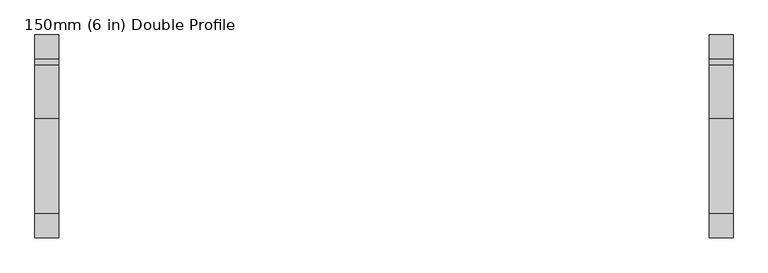
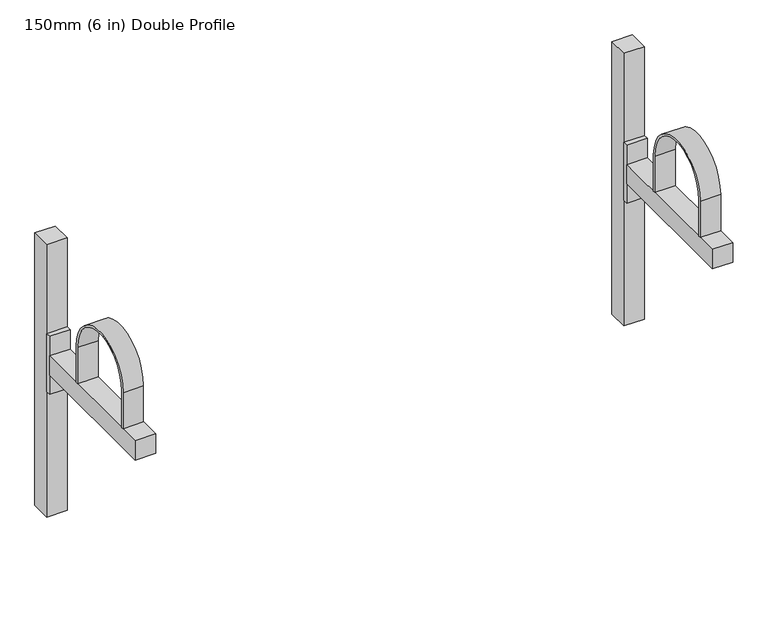
"""IFC4 building model written with IfcOpenShell, lengths in millimetres: proxy geometry, 150mm (6 in) Double Profile."""

import ifcopenshell
import ifcopenshell.guid

model = None  # the IFC model being written
_history = None  # IfcOwnerHistory: only IFC2X3 demands one
_inside = {}  # id of a spatial element -> (the spatial element, [elements in it])
_under = {}  # id of a project, library or spatial element -> (it, [spatial elements below it])
_declared = {}  # id of a project -> (the project, [libraries it declares])
_typed = {}  # id of a type object -> (the type object, [elements of that type])
_made_of = {}  # id of a material, layer set ... -> (it, [elements and type objects made of it])


def new_model(schema):
    """Start an empty IFC model of exactly this schema.

    Asked for "IFC4X3", IfcOpenShell would pick the latest addendum, in which some entities
    have other attributes; the version numbers below select the first issue.
    IFC2X3 requires an IfcOwnerHistory on every rooted entity: one is made here for all.
    """
    global model, _history
    if schema == "IFC4X3":
        model = ifcopenshell.file(schema_version=(4, 3, 0, 0))
    else:
        model = ifcopenshell.file(schema=schema)
    _inside.clear()
    _under.clear()
    _declared.clear()
    _typed.clear()
    _made_of.clear()
    _history = None
    if model.schema == "IFC2X3":
        org = make("IfcOrganization", Name="unknown")
        user = make(
            "IfcPersonAndOrganization",
            ThePerson=make("IfcPerson", FamilyName="unknown"),
            TheOrganization=org,
        )
        app = make(
            "IfcApplication",
            ApplicationDeveloper=org,
            Version="unknown",
            ApplicationFullName="unknown",
            ApplicationIdentifier="unknown",
        )
        _history = make(
            "IfcOwnerHistory",
            OwningUser=user,
            OwningApplication=app,
            ChangeAction="ADDED",
            CreationDate=0,
        )
    return model


def make(cls, **values):
    """One entity of the class cls with the attributes given. An attribute that is None is left unset."""
    return model.create_entity(
        cls, **{name: value for name, value in values.items() if value is not None}
    )


def rooted(cls, **values):
    """An entity with a GlobalId (a new one), such as an element, a storey or a relation."""
    return make(cls, GlobalId=ifcopenshell.guid.new(), OwnerHistory=_history, **values)


def si_unit(unit_type, name, prefix=None):
    """IfcSIUnit, for example si_unit("LENGTHUNIT", "METRE", prefix="MILLI")."""
    return make("IfcSIUnit", UnitType=unit_type, Prefix=prefix, Name=name)


def assignment(units):
    """IfcUnitAssignment: the units of a project."""
    return None if units is None else make("IfcUnitAssignment", Units=units)


def point(xyz):
    """IfcCartesianPoint."""
    return None if xyz is None else make("IfcCartesianPoint", Coordinates=xyz)


def direction(xyz):
    """IfcDirection."""
    return None if xyz is None else make("IfcDirection", DirectionRatios=xyz)


def frame(location, z_axis=None, x_axis=None):
    """IfcAxis2Placement3D, a coordinate frame: its origin and axes. An axis left out is left unset."""
    return make(
        "IfcAxis2Placement3D",
        Location=point(location),
        Axis=direction(z_axis),
        RefDirection=direction(x_axis),
    )


def frame_2d(location, x_axis=None):
    """IfcAxis2Placement2D, a coordinate frame in the plane: its origin and x axis."""
    return make(
        "IfcAxis2Placement2D", Location=point(location), RefDirection=direction(x_axis)
    )


def origin():
    """The frame at (0, 0, 0) with its axes left unset."""
    return frame((0.0, 0.0, 0.0))


def origin_with_axes():
    """The frame at (0, 0, 0) with the z axis (0, 0, 1) and the x axis (1, 0, 0) written out."""
    return frame((0.0, 0.0, 0.0), z_axis=(0.0, 0.0, 1.0), x_axis=(1.0, 0.0, 0.0))


def place(relative_to, where):
    """IfcLocalPlacement: puts the frame where relative to a parent placement (None: the world)."""
    return make(
        "IfcLocalPlacement", PlacementRelTo=relative_to, RelativePlacement=where
    )


def context(
    kind, dimensions, precision=None, world=None, true_north=None, identifier=None
):
    """IfcGeometricRepresentationContext, for example the 3D "Model" context."""
    return make(
        "IfcGeometricRepresentationContext",
        ContextIdentifier=identifier,
        ContextType=kind,
        CoordinateSpaceDimension=dimensions,
        Precision=precision,
        WorldCoordinateSystem=world,
        TrueNorth=true_north,
    )


def project(units=None, contexts=None):
    """IfcProject with its units and contexts."""
    return rooted(
        "IfcProject",
        Name="project",
        RepresentationContexts=contexts,
        UnitsInContext=assignment(units),
    )


def spatial(cls, under=None, at=None, **own):
    """A site, building, storey or space (cls), placed at a placement, below another one or the project."""
    s = rooted(cls, ObjectPlacement=at, **own)
    if under is not None:
        _under.setdefault(under.id(), (under, []))[1].append(s)
    return s


def polyline(points):
    """IfcPolyline through the points."""
    return make("IfcPolyline", Points=[point(p) for p in points])


def circle_curve(where, radius):
    """IfcCircle in the frame where."""
    return make("IfcCircle", Position=where, Radius=radius)


def trimmed(basis, trim1, trim2, sense, master):
    """IfcTrimmedCurve: the piece of a basis curve between two trims."""
    return make(
        "IfcTrimmedCurve",
        BasisCurve=basis,
        Trim1=trim1,
        Trim2=trim2,
        SenseAgreement=sense,
        MasterRepresentation=master,
    )


def segment(curve, same_sense, transition):
    """IfcCompositeCurveSegment."""
    return make(
        "IfcCompositeCurveSegment",
        Transition=transition,
        SameSense=same_sense,
        ParentCurve=curve,
    )


def composite_curve(segments, self_intersect=None):
    """IfcCompositeCurve: segments joined end to end."""
    return make("IfcCompositeCurve", Segments=segments, SelfIntersect=self_intersect)


def outline(outer, holes=None, kind="AREA"):
    """IfcArbitraryClosedProfileDef: a profile drawn as a closed curve; with holes, ...WithVoids."""
    if holes is None:
        return make("IfcArbitraryClosedProfileDef", ProfileType=kind, OuterCurve=outer)
    return make(
        "IfcArbitraryProfileDefWithVoids",
        ProfileType=kind,
        OuterCurve=outer,
        InnerCurves=holes,
    )


def extrude(swept, where, along, depth):
    """IfcExtrudedAreaSolid: the profile swept, set in the frame where, extruded along a direction by depth."""
    return make(
        "IfcExtrudedAreaSolid",
        SweptArea=swept,
        Position=where,
        ExtrudedDirection=direction(along),
        Depth=depth,
    )


def shape(context_of_items, identifier, shape_type, items):
    """IfcShapeRepresentation: the items that make up one representation, for example the "Body"."""
    return make(
        "IfcShapeRepresentation",
        ContextOfItems=context_of_items,
        RepresentationIdentifier=identifier,
        RepresentationType=shape_type,
        Items=items,
    )


def source(mapping_origin, context_of_items, identifier, shape_type, items):
    """IfcRepresentationMap: a shape defined once, which mapped items show again and again."""
    return make(
        "IfcRepresentationMap",
        MappingOrigin=mapping_origin,
        MappedRepresentation=shape(context_of_items, identifier, shape_type, items),
    )


def transform(
    local_origin,
    x_axis=None,
    y_axis=None,
    z_axis=None,
    scale=None,
    scale2=None,
    scale3=None,
    uniform=True,
):
    """IfcCartesianTransformationOperator3D, or its non-uniform kind. x_axis, y_axis, z_axis: its Axis1, 2, 3."""
    if uniform:
        return make(
            "IfcCartesianTransformationOperator3D",
            Axis1=direction(x_axis),
            Axis2=direction(y_axis),
            LocalOrigin=point(local_origin),
            Scale=scale,
            Axis3=direction(z_axis),
        )
    return make(
        "IfcCartesianTransformationOperator3DnonUniform",
        Axis1=direction(x_axis),
        Axis2=direction(y_axis),
        LocalOrigin=point(local_origin),
        Scale=scale,
        Axis3=direction(z_axis),
        Scale2=scale2,
        Scale3=scale3,
    )


def mapped(mapping_source, mapping_target):
    """IfcMappedItem: shows the shape of a source again, moved by a transform."""
    return make(
        "IfcMappedItem", MappingSource=mapping_source, MappingTarget=mapping_target
    )


def made_of(thing, what):
    """Note that an element or type object is made of a material, layer set ...; save() writes the relation."""
    if what is not None:
        _made_of.setdefault(what.id(), (what, []))[1].append(thing)
    return thing


def element(
    cls,
    number,
    at=None,
    inside=None,
    cuts=None,
    type_object=None,
    material=None,
    context=None,
    identifier="Body",
    shape_type=None,
    held_by="IfcProductDefinitionShape",
    body=None,
    shapes=None,
    **own,
):
    """One element of the class cls, such as IfcWall. Its Tag is "e" and its number.

    at: its placement. inside: the storey or other place that contains it. cuts: it is an
    opening in that element (IfcRelVoidsElement). A single representation is given by context,
    identifier, shape_type and body (its items); several are given by shapes. held_by: the class
    of the entity that holds the representations. save() writes the other relations.
    """
    e = rooted(cls, Tag="e%d" % number, ObjectPlacement=at, **own)
    if body is not None:
        shapes = [shape(context, identifier, shape_type, body)]
    if shapes is not None:
        e.Representation = make(held_by, Representations=shapes)
    if inside is not None:
        _inside.setdefault(inside.id(), (inside, []))[1].append(e)
    if cuts is not None:
        rooted(
            "IfcRelVoidsElement", RelatingBuildingElement=cuts, RelatedOpeningElement=e
        )
    if type_object is not None:
        _typed.setdefault(type_object.id(), (type_object, []))[1].append(e)
    return made_of(e, material)


def aggregate(whole, parts):
    """IfcRelAggregates: a whole, such as a stair, and the parts it consists of."""
    return rooted("IfcRelAggregates", RelatingObject=whole, RelatedObjects=parts)


def save(model, path):
    """Write the relations noted so far, then the file.

    IfcRelAggregates (storeys below a building ...), IfcRelContainedInSpatialStructure (elements
    in a storey), IfcRelDefinesByType, IfcRelAssociatesMaterial and IfcRelDeclares: one each for
    every whole, place, type object, material and project.
    """
    for whole, parts in _under.values():
        aggregate(whole, parts)
    for where, things in _inside.values():
        rooted(
            "IfcRelContainedInSpatialStructure",
            RelatedElements=things,
            RelatingStructure=where,
        )
    for kind, things in _typed.values():
        rooted("IfcRelDefinesByType", RelatedObjects=things, RelatingType=kind)
    for what, things in _made_of.values():
        rooted("IfcRelAssociatesMaterial", RelatedObjects=things, RelatingMaterial=what)
    for by, libraries in _declared.values():
        rooted("IfcRelDeclares", RelatingContext=by, RelatedDefinitions=libraries)
    model.write(path)


def proxy_150mm_6_in_double_profile_50c89727(model_context):
    return source(origin(), model_context, "Body", "SweptSolid", [
        extrude(outline(composite_curve([segment(polyline([(-295.0, 415.0), (-295.0, 340.0), (-299.0, 340.0), (-299.0, 415.0)]), True, "CONTINUOUS"), segment(trimmed(circle_curve(frame_2d((-220.0, 415.0)), 79.0), [point((-299.0, 415.0))], [point((-141.0, 415.0))], False, "CARTESIAN"), True, "CONTINUOUS"), segment(polyline([(-141.0, 415.0), (-141.0, 340.0), (-145.0, 340.0), (-145.0, 415.0)]), True, "CONTINUOUS"), segment(trimmed(circle_curve(frame_2d((-220.0, 415.0)), 75.0), [point((-145.0, 415.0))], [point((-295.0, 415.0))], True, "CARTESIAN"), True, "CONTINUOUS")], self_intersect=False)), frame((1111.0143342, 0.0, 0.0), z_axis=(1.0, 0.0, 0.0), x_axis=(0.0, 1.0, 0.0)), (0.0, 0.0, 1.0), 40.0),
        extrude(outline(polyline([(1151.0143342, -50.0), (1151.0143342, -340.0), (1111.0143342, -340.0), (1111.0143342, -50.0), (1151.0143342, -50.0)])), frame((0.0, 0.0, 300.0), z_axis=(0.0, 0.0, 1.0), x_axis=(1.0, 0.0, 0.0)), (0.0, 0.0, 1.0), 40.0),
        extrude(outline(polyline([(1151.0143342, -40.0), (1151.0143342, -50.0), (1111.0143342, -50.0), (1111.0143342, -40.0), (1151.0143342, -40.0)])), frame((0.0, 0.0, 260.0), z_axis=(0.0, 0.0, 1.0), x_axis=(1.0, 0.0, 0.0)), (0.0, 0.0, 1.0), 120.0),
        extrude(outline(polyline([(1151.0143342, 0.0), (1151.0143342, -40.0), (1111.0143342, -40.0), (1111.0143342, 0.0), (1151.0143342, 0.0)])), origin_with_axes(), (0.0, 0.0, 1.0), 564.1051687),
        extrude(outline(composite_curve([segment(polyline([(-295.0, 415.0), (-295.0, 340.0), (-299.0, 340.0), (-299.0, 415.0)]), True, "CONTINUOUS"), segment(trimmed(circle_curve(frame_2d((-220.0, 415.0)), 79.0), [point((-299.0, 415.0))], [point((-141.0, 415.0))], False, "CARTESIAN"), True, "CONTINUOUS"), segment(polyline([(-141.0, 415.0), (-141.0, 340.0), (-145.0, 340.0), (-145.0, 415.0)]), True, "CONTINUOUS"), segment(trimmed(circle_curve(frame_2d((-220.0, 415.0)), 75.0), [point((-145.0, 415.0))], [point((-295.0, 415.0))], True, "CARTESIAN"), True, "CONTINUOUS")], self_intersect=False)), frame((-20.0, 0.0, 0.0), z_axis=(1.0, 0.0, 0.0), x_axis=(0.0, 1.0, 0.0)), (0.0, 0.0, 1.0), 40.0),
        extrude(outline(polyline([(20.0, -50.0), (20.0, -340.0), (-20.0, -340.0), (-20.0, -50.0), (20.0, -50.0)])), frame((0.0, 0.0, 300.0), z_axis=(0.0, 0.0, 1.0), x_axis=(1.0, 0.0, 0.0)), (0.0, 0.0, 1.0), 40.0),
        extrude(outline(polyline([(20.0, -40.0), (20.0, -50.0), (-20.0, -50.0), (-20.0, -40.0), (20.0, -40.0)])), frame((0.0, 0.0, 260.0), z_axis=(0.0, 0.0, 1.0), x_axis=(1.0, 0.0, 0.0)), (0.0, 0.0, 1.0), 120.0),
        extrude(outline(polyline([(20.0, 0.0), (20.0, -40.0), (-20.0, -40.0), (-20.0, 0.0), (20.0, 0.0)])), origin_with_axes(), (0.0, 0.0, 1.0), 564.1051687),
    ])


if __name__ == "__main__":
    model = new_model("IFC4")
    model_context = context("Model", 3, world=origin())
    ifc_project = project(units=[si_unit("LENGTHUNIT", "METRE", prefix="MILLI")], contexts=[model_context])
    site = spatial("IfcSite", under=ifc_project)
    building = spatial("IfcBuilding", under=site)
    placement = place(None, origin())
    proxy_150mm_6_in_double_profile_shape = proxy_150mm_6_in_double_profile_50c89727(model_context)
    element("IfcBuildingElementProxy", 1, Name="150mm (6 in) Double Profile", ObjectType="150mm (6 in) Double Profile", at=placement, inside=building, context=model_context, shape_type="MappedRepresentation", body=[
        mapped(proxy_150mm_6_in_double_profile_shape, transform((0.0, 0.0, 0.0), x_axis=(1.0, 0.0, 0.0), y_axis=(0.0, 1.0, 0.0), z_axis=(0.0, 0.0, 1.0))),
    ])
    save(model, "model.ifc")
